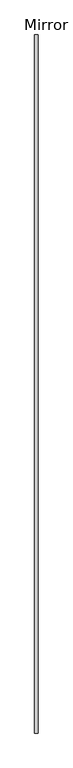
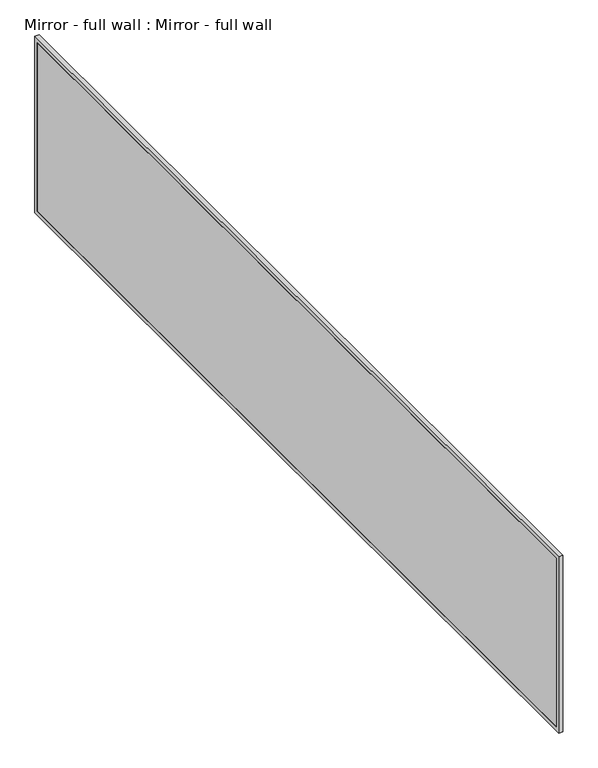
"""IFC4 building model written with IfcOpenShell, lengths in millimetres: proxy geometry, Mirror - full wall : Mirror - full wall."""

from ifc_helpers import new_model, si_unit, frame, origin, place, context, project, spatial, polyline, outline, extrude, source, transform, mapped, element, save


def mirror_full_wall_mirror_full_wall_ae9558f7(model_context):
    return source(origin(), model_context, "Body", "SweptSolid", [
        extrude(outline(polyline([(455020.1504676, -266018.6095059), (455020.1504676, -271405.2096716), (455007.4504676, -271405.2096716), (455007.4504676, -266018.6095059), (455020.1504676, -266018.6095059)])), frame((0.0, 0.0, 1041.4), z_axis=(0.0, 0.0, 1.0), x_axis=(1.0, 0.0, 0.0)), (0.0, 0.0, 1.0), 1066.8),
        extrude(outline(polyline([(-265993.2095059, 2133.6), (-265993.2095059, 1016.0), (-271431.2125441, 1016.0), (-271431.2125441, 2133.6), (-265993.2095059, 2133.6)]), holes=[polyline([(-266018.6095059, 2108.2), (-271405.2096716, 2108.2), (-271405.2096716, 1041.4), (-266018.6095059, 1041.4), (-266018.6095059, 2108.2)])]), frame((455007.4504676, 0.0, 0.0), z_axis=(1.0, 0.0, 0.0), x_axis=(0.0, 1.0, 0.0)), (0.0, 0.0, 1.0), 25.4),
    ])


if __name__ == "__main__":
    model = new_model("IFC4")
    model_context = context("Model", 3, world=origin())
    ifc_project = project(units=[si_unit("LENGTHUNIT", "METRE", prefix="MILLI")], contexts=[model_context])
    site = spatial("IfcSite", under=ifc_project)
    building = spatial("IfcBuilding", under=site)
    placement = place(None, origin())
    mirror_full_wall_mirror_full_wall_shape = mirror_full_wall_mirror_full_wall_ae9558f7(model_context)
    element("IfcBuildingElementProxy", 1, Name="Mirror - full wall : Mirror - full wall", ObjectType="Mirror - full wall : Mirror - full wall", at=placement, inside=building, context=model_context, shape_type="MappedRepresentation", body=[
        mapped(mirror_full_wall_mirror_full_wall_shape, transform((0.0, 0.0, 0.0), x_axis=(1.0, 0.0, 0.0), y_axis=(0.0, 1.0, 0.0), z_axis=(0.0, 0.0, 1.0))),
    ])
    save(model, "model.ifc")
